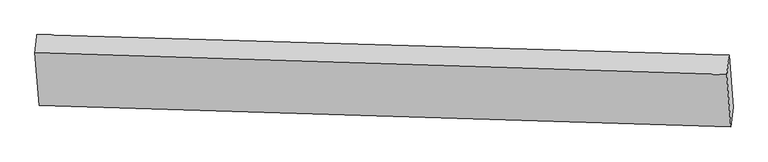
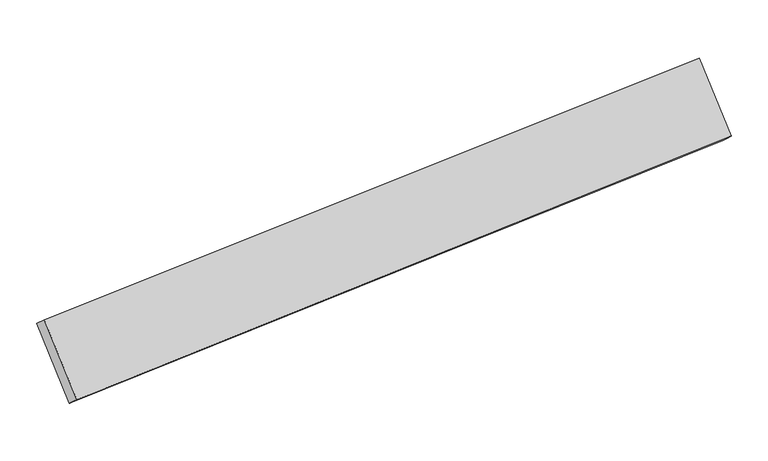
"""IFC4 building model written with IfcOpenShell, lengths in millimetres: proxy geometry."""

from ifc_helpers import new_model, si_unit, frame, origin, place, context, project, spatial, source, transform, mapped, element, save
from ifc_brep_helpers import plane_surface, spline_surface, advanced_brep


def generic_models_6171c4e4(model_context):
    return source(origin(), model_context, "Body", "AdvancedBrep", [
        advanced_brep(
        [(-236.3460512, -880.3986248, 1886.1303727), (-205.4910997, -1278.231122, 1438.8722656), (-5469.1828823, -1132.6000436, 915.242403), (-5500.7125498, -726.0680039, 1372.2808598), (-222.5381538, -1428.5064703, 1571.3649585), (-5484.4802992, -1266.5485965, 1033.3332444), (-253.3931053, -1030.673973, 2018.6230656), (-5516.0099667, -860.0165567, 1490.3717012)],
        [
            (0, 1),
            (1, 2),
            (2, 3),
            (3, 0),
            (1, 4),
            (4, 5),
            (5, 2),
            (4, 6),
            (6, 7),
            (7, 5),
            (6, 0),
            (3, 7),
        ],
        [
            plane_surface(frame((-220.9185755, -1079.3148734, 1662.5013191), z_axis=(0.08621550695818557, 0.7473495734906842, -0.6588137076315547), x_axis=(0.05147767228080696, -0.6637343420360566, -0.7461948622568456))),
            spline_surface(1, 1, [[(-205.4910997, -1278.231122, 1438.8722656), (-5469.1828823, -1132.6000436, 915.242403)], [(-222.5381538, -1428.5064703, 1571.3649585), (-5484.4802992, -1266.5485965, 1033.3332444)]], [2, 2], [2, 2], [0.0, 1.0], [0.0, 1.0]),
            plane_surface(frame((-237.9656295, -1229.5902217, 1794.9940121), z_axis=(-0.09032119999370657, -0.7472176585905494, 0.658413131340919), x_axis=(-0.05147767228080697, 0.6637343420360563, 0.746194862256846))),
            spline_surface(1, 1, [[(-253.3931053, -1030.673973, 2018.6230656), (-5516.0099667, -860.0165567, 1490.3717012)], [(-236.3460512, -880.3986248, 1886.1303727), (-5500.7125498, -726.0680039, 1372.2808598)]], [2, 2], [2, 2], [0.0, 1.0], [0.0, 1.0]),
            plane_surface(frame((-5492.5964245, -996.3083002, 1202.8070521), z_axis=(-0.9950200534133677, 0.029771551365288383, -0.09512490754036351), x_axis=(0.05147767228080696, -0.6637343420360566, -0.7461948622568456))),
            plane_surface(frame((-229.4421025, -1154.4525475, 1728.7476656), z_axis=(0.995068761048071, -0.029343620345253583, 0.09474762652061848), x_axis=(-0.0847833122897836, -0.7473925843537785, 0.6589507681231983))),
        ],
        [
            (0, [[1, 2, 3, 4]]),
            (1, [[5, 6, 7, -2]]),
            (2, [[8, 9, 10, -6]]),
            (3, [[11, -4, 12, -9]]),
            (4, [[-3, -7, -10, -12]]),
            (5, [[-11, -8, -5, -1]]),
        ],
    ),
    ])


if __name__ == "__main__":
    model = new_model("IFC4")
    model_context = context("Model", 3, world=origin())
    ifc_project = project(units=[si_unit("LENGTHUNIT", "METRE", prefix="MILLI")], contexts=[model_context])
    site = spatial("IfcSite", under=ifc_project)
    building = spatial("IfcBuilding", under=site)
    placement = place(None, origin())
    generic_models_shape = generic_models_6171c4e4(model_context)
    element("IfcBuildingElementProxy", 1, Name="Generic Models", at=placement, inside=building, context=model_context, shape_type="MappedRepresentation", body=[
        mapped(generic_models_shape, transform((0.0, 0.0, 0.0), x_axis=(1.0, 0.0, 0.0), y_axis=(0.0, 1.0, 0.0), z_axis=(0.0, 0.0, 1.0))),
    ])
    save(model, "model.ifc")
